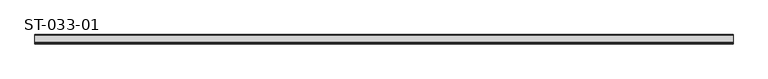
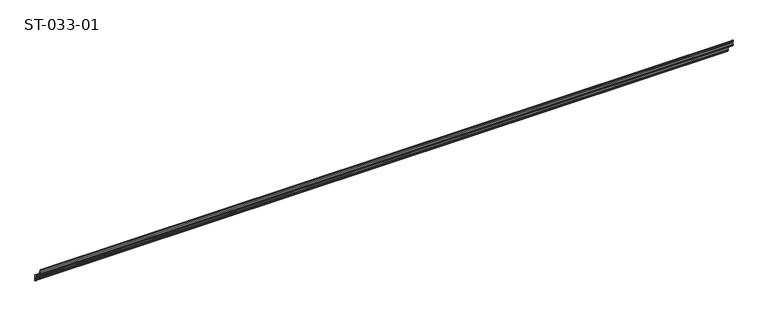
"""IFC4 building model written with IfcOpenShell, lengths in millimetres: plate geometry, ST-033-01."""

from ifc_helpers import new_model, si_unit, point, frame, frame_2d, origin, place, context, project, spatial, polyline, circle_curve, trimmed, segment, composite_curve, outline, extrude, source, transform, mapped, element, save


def st_033_01_69741a80(model_context):
    return source(origin(), model_context, "Body", "SweptSolid", [
        extrude(outline(composite_curve([segment(trimmed(circle_curve(frame_2d((6.1, -2.775)), 5.0), [point((1.1, -2.775))], [point((2.4449677, -6.1868527))], True, "CARTESIAN"), True, "CONTINUOUS"), segment(trimmed(circle_curve(frame_2d((-1.2100645, -9.5987055)), 5.0), [point((2.4449677, -6.1868527))], [point((3.0964512, -7.0582484))], False, "CARTESIAN"), True, "CONTINUOUS"), segment(polyline([(3.0964512, -7.0582484), (3.5680247, -8.1256599), (2.3, -7.7805889)]), True, "CONTINUOUS"), segment(trimmed(circle_curve(frame_2d((2.3, -8.9805889)), 1.2), [point((2.3, -7.7805889))], [point((1.1, -8.9805889))], True, "CARTESIAN"), True, "CONTINUOUS"), segment(polyline([(1.1, -8.9805889), (1.1, -10.7205889)]), True, "CONTINUOUS"), segment(trimmed(circle_curve(frame_2d((2.1, -10.7205889)), 1.0), [point((1.1, -10.7205889))], [point((1.5506855, -11.5562046))], True, "CARTESIAN"), True, "CONTINUOUS"), segment(polyline([(1.5506855, -11.5562046), (19.9493145, -23.6510405)]), True, "CONTINUOUS"), segment(trimmed(circle_curve(frame_2d((19.4, -24.4866562)), 1.0), [point((19.9493145, -23.6510405))], [point((20.4, -24.4866562))], False, "CARTESIAN"), True, "CONTINUOUS"), segment(polyline([(20.4, -24.4866562), (20.4, -36.6722187)]), True, "CONTINUOUS"), segment(trimmed(circle_curve(frame_2d((20.1, -36.6722187)), 0.3), [point((20.4, -36.6722187))], [point((19.8218448, -36.7846007))], False, "CARTESIAN"), True, "CONTINUOUS"), segment(polyline([(19.8218448, -36.7846007), (18.9048565, -34.5149749)]), True, "CONTINUOUS"), segment(trimmed(circle_curve(frame_2d((22.15, -33.2038518)), 3.5), [point((18.9048565, -34.5149749))], [point((18.6811429, -32.7379862))], False, "CARTESIAN"), True, "CONTINUOUS"), segment(polyline([(18.6811429, -32.7379862), (18.8608155, -31.4001361)]), True, "CONTINUOUS"), segment(trimmed(circle_curve(frame_2d((-13.35, -27.0742413)), 32.5), [point((18.8608155, -31.4001361))], [point((19.15, -27.0742413))], True, "CARTESIAN"), True, "CONTINUOUS"), segment(polyline([(19.15, -27.0742413), (19.15, -24.3996722), (16.751, -23.0362966), (16.751, -26.2837512)]), True, "CONTINUOUS"), segment(trimmed(circle_curve(frame_2d((17.751, -23.4553241)), 3.0), [point((16.751, -26.2837512))], [point((14.751, -23.4553241))], False, "CARTESIAN"), True, "CONTINUOUS"), segment(polyline([(14.751, -23.4553241), (14.751, -21.5501827), (0.9464395, -12.4753818)]), True, "CONTINUOUS"), segment(trimmed(circle_curve(frame_2d((2.1, -10.7205889)), 2.1), [point((0.9464395, -12.4753818))], [point((0.0, -10.7205889))], False, "CARTESIAN"), True, "CONTINUOUS"), segment(polyline([(0.0, -10.7205889), (0.0, -8.9805889)]), True, "CONTINUOUS"), segment(trimmed(circle_curve(frame_2d((2.3, -8.9805889)), 2.3), [point((0.0, -8.9805889))], [point((1.528572, -6.8138174))], False, "CARTESIAN"), True, "CONTINUOUS"), segment(trimmed(circle_curve(frame_2d((6.1, -2.775)), 6.1), [point((1.528572, -6.8138174))], [point((0.0, -2.775))], False, "CARTESIAN"), True, "CONTINUOUS"), segment(polyline([(0.0, -2.775), (0.0, -0.9785624)]), True, "CONTINUOUS"), segment(trimmed(circle_curve(frame_2d((1.0, -0.9785624)), 1.0), [point((0.0, -0.9785624))], [point((0.7940493, 0.0))], False, "CARTESIAN"), True, "CONTINUOUS"), segment(polyline([(0.7940493, 0.0), (1.1, -0.7572546), (1.1, -2.775)]), True, "CONTINUOUS")], self_intersect=False)), frame((-750.0, 0.0, 0.0), z_axis=(1.0, 0.0, 0.0), x_axis=(0.0, 1.0, 0.0)), (0.0, 0.0, 1.0), 1499.7321324),
    ])


if __name__ == "__main__":
    model = new_model("IFC4")
    model_context = context("Model", 3, world=origin())
    ifc_project = project(units=[si_unit("LENGTHUNIT", "METRE", prefix="MILLI")], contexts=[model_context])
    site = spatial("IfcSite", under=ifc_project)
    building = spatial("IfcBuilding", under=site)
    placement = place(None, origin())
    st_033_01_shape = st_033_01_69741a80(model_context)
    element("IfcPlate", 1, ObjectType="ST-033-01", at=placement, inside=building, context=model_context, shape_type="MappedRepresentation", body=[
        mapped(st_033_01_shape, transform((0.0, 0.0, 0.0), x_axis=(1.0, 0.0, 0.0), y_axis=(0.0, 1.0, 0.0), z_axis=(0.0, 0.0, 1.0))),
    ])
    save(model, "model.ifc")
